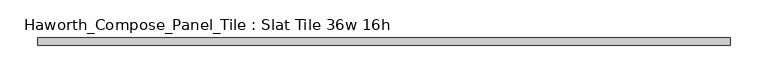
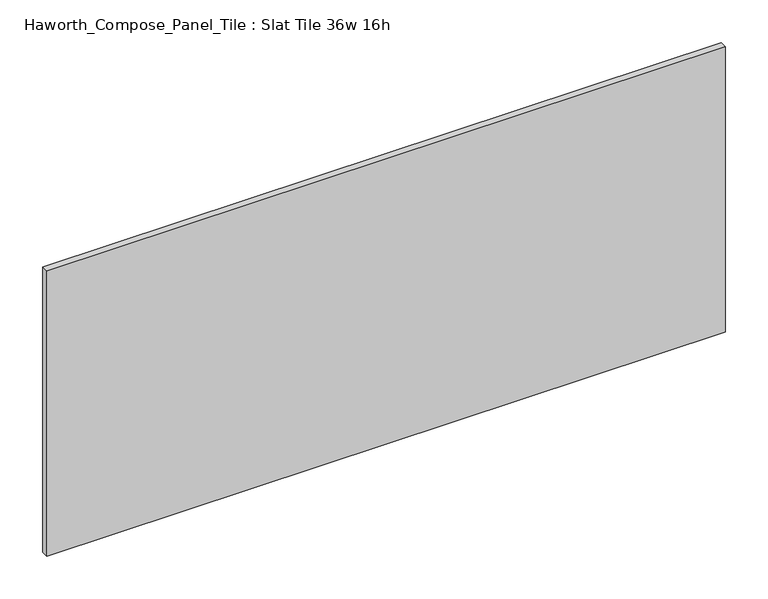
"""IFC4 building model written with IfcOpenShell, lengths in millimetres: furniture geometry, Haworth_Compose_Panel_Tile : Slat Tile 36w 16h."""

import ifcopenshell
import ifcopenshell.guid

model = None  # the IFC model being written
_history = None  # IfcOwnerHistory: only IFC2X3 demands one
_inside = {}  # id of a spatial element -> (the spatial element, [elements in it])
_under = {}  # id of a project, library or spatial element -> (it, [spatial elements below it])
_declared = {}  # id of a project -> (the project, [libraries it declares])
_typed = {}  # id of a type object -> (the type object, [elements of that type])
_made_of = {}  # id of a material, layer set ... -> (it, [elements and type objects made of it])


def new_model(schema):
    """Start an empty IFC model of exactly this schema.

    Asked for "IFC4X3", IfcOpenShell would pick the latest addendum, in which some entities
    have other attributes; the version numbers below select the first issue.
    IFC2X3 requires an IfcOwnerHistory on every rooted entity: one is made here for all.
    """
    global model, _history
    if schema == "IFC4X3":
        model = ifcopenshell.file(schema_version=(4, 3, 0, 0))
    else:
        model = ifcopenshell.file(schema=schema)
    _inside.clear()
    _under.clear()
    _declared.clear()
    _typed.clear()
    _made_of.clear()
    _history = None
    if model.schema == "IFC2X3":
        org = make("IfcOrganization", Name="unknown")
        user = make(
            "IfcPersonAndOrganization",
            ThePerson=make("IfcPerson", FamilyName="unknown"),
            TheOrganization=org,
        )
        app = make(
            "IfcApplication",
            ApplicationDeveloper=org,
            Version="unknown",
            ApplicationFullName="unknown",
            ApplicationIdentifier="unknown",
        )
        _history = make(
            "IfcOwnerHistory",
            OwningUser=user,
            OwningApplication=app,
            ChangeAction="ADDED",
            CreationDate=0,
        )
    return model


def make(cls, **values):
    """One entity of the class cls with the attributes given. An attribute that is None is left unset."""
    return model.create_entity(
        cls, **{name: value for name, value in values.items() if value is not None}
    )


def rooted(cls, **values):
    """An entity with a GlobalId (a new one), such as an element, a storey or a relation."""
    return make(cls, GlobalId=ifcopenshell.guid.new(), OwnerHistory=_history, **values)


def si_unit(unit_type, name, prefix=None):
    """IfcSIUnit, for example si_unit("LENGTHUNIT", "METRE", prefix="MILLI")."""
    return make("IfcSIUnit", UnitType=unit_type, Prefix=prefix, Name=name)


def assignment(units):
    """IfcUnitAssignment: the units of a project."""
    return None if units is None else make("IfcUnitAssignment", Units=units)


def point(xyz):
    """IfcCartesianPoint."""
    return None if xyz is None else make("IfcCartesianPoint", Coordinates=xyz)


def direction(xyz):
    """IfcDirection."""
    return None if xyz is None else make("IfcDirection", DirectionRatios=xyz)


def frame(location, z_axis=None, x_axis=None):
    """IfcAxis2Placement3D, a coordinate frame: its origin and axes. An axis left out is left unset."""
    return make(
        "IfcAxis2Placement3D",
        Location=point(location),
        Axis=direction(z_axis),
        RefDirection=direction(x_axis),
    )


def origin():
    """The frame at (0, 0, 0) with its axes left unset."""
    return frame((0.0, 0.0, 0.0))


def place(relative_to, where):
    """IfcLocalPlacement: puts the frame where relative to a parent placement (None: the world)."""
    return make(
        "IfcLocalPlacement", PlacementRelTo=relative_to, RelativePlacement=where
    )


def context(
    kind, dimensions, precision=None, world=None, true_north=None, identifier=None
):
    """IfcGeometricRepresentationContext, for example the 3D "Model" context."""
    return make(
        "IfcGeometricRepresentationContext",
        ContextIdentifier=identifier,
        ContextType=kind,
        CoordinateSpaceDimension=dimensions,
        Precision=precision,
        WorldCoordinateSystem=world,
        TrueNorth=true_north,
    )


def project(units=None, contexts=None):
    """IfcProject with its units and contexts."""
    return rooted(
        "IfcProject",
        Name="project",
        RepresentationContexts=contexts,
        UnitsInContext=assignment(units),
    )


def spatial(cls, under=None, at=None, **own):
    """A site, building, storey or space (cls), placed at a placement, below another one or the project."""
    s = rooted(cls, ObjectPlacement=at, **own)
    if under is not None:
        _under.setdefault(under.id(), (under, []))[1].append(s)
    return s


def polyline(points):
    """IfcPolyline through the points."""
    return make("IfcPolyline", Points=[point(p) for p in points])


def outline(outer, holes=None, kind="AREA"):
    """IfcArbitraryClosedProfileDef: a profile drawn as a closed curve; with holes, ...WithVoids."""
    if holes is None:
        return make("IfcArbitraryClosedProfileDef", ProfileType=kind, OuterCurve=outer)
    return make(
        "IfcArbitraryProfileDefWithVoids",
        ProfileType=kind,
        OuterCurve=outer,
        InnerCurves=holes,
    )


def extrude(swept, where, along, depth):
    """IfcExtrudedAreaSolid: the profile swept, set in the frame where, extruded along a direction by depth."""
    return make(
        "IfcExtrudedAreaSolid",
        SweptArea=swept,
        Position=where,
        ExtrudedDirection=direction(along),
        Depth=depth,
    )


def shape(context_of_items, identifier, shape_type, items):
    """IfcShapeRepresentation: the items that make up one representation, for example the "Body"."""
    return make(
        "IfcShapeRepresentation",
        ContextOfItems=context_of_items,
        RepresentationIdentifier=identifier,
        RepresentationType=shape_type,
        Items=items,
    )


def source(mapping_origin, context_of_items, identifier, shape_type, items):
    """IfcRepresentationMap: a shape defined once, which mapped items show again and again."""
    return make(
        "IfcRepresentationMap",
        MappingOrigin=mapping_origin,
        MappedRepresentation=shape(context_of_items, identifier, shape_type, items),
    )


def transform(
    local_origin,
    x_axis=None,
    y_axis=None,
    z_axis=None,
    scale=None,
    scale2=None,
    scale3=None,
    uniform=True,
):
    """IfcCartesianTransformationOperator3D, or its non-uniform kind. x_axis, y_axis, z_axis: its Axis1, 2, 3."""
    if uniform:
        return make(
            "IfcCartesianTransformationOperator3D",
            Axis1=direction(x_axis),
            Axis2=direction(y_axis),
            LocalOrigin=point(local_origin),
            Scale=scale,
            Axis3=direction(z_axis),
        )
    return make(
        "IfcCartesianTransformationOperator3DnonUniform",
        Axis1=direction(x_axis),
        Axis2=direction(y_axis),
        LocalOrigin=point(local_origin),
        Scale=scale,
        Axis3=direction(z_axis),
        Scale2=scale2,
        Scale3=scale3,
    )


def mapped(mapping_source, mapping_target):
    """IfcMappedItem: shows the shape of a source again, moved by a transform."""
    return make(
        "IfcMappedItem", MappingSource=mapping_source, MappingTarget=mapping_target
    )


def made_of(thing, what):
    """Note that an element or type object is made of a material, layer set ...; save() writes the relation."""
    if what is not None:
        _made_of.setdefault(what.id(), (what, []))[1].append(thing)
    return thing


def element(
    cls,
    number,
    at=None,
    inside=None,
    cuts=None,
    type_object=None,
    material=None,
    context=None,
    identifier="Body",
    shape_type=None,
    held_by="IfcProductDefinitionShape",
    body=None,
    shapes=None,
    **own,
):
    """One element of the class cls, such as IfcWall. Its Tag is "e" and its number.

    at: its placement. inside: the storey or other place that contains it. cuts: it is an
    opening in that element (IfcRelVoidsElement). A single representation is given by context,
    identifier, shape_type and body (its items); several are given by shapes. held_by: the class
    of the entity that holds the representations. save() writes the other relations.
    """
    e = rooted(cls, Tag="e%d" % number, ObjectPlacement=at, **own)
    if body is not None:
        shapes = [shape(context, identifier, shape_type, body)]
    if shapes is not None:
        e.Representation = make(held_by, Representations=shapes)
    if inside is not None:
        _inside.setdefault(inside.id(), (inside, []))[1].append(e)
    if cuts is not None:
        rooted(
            "IfcRelVoidsElement", RelatingBuildingElement=cuts, RelatedOpeningElement=e
        )
    if type_object is not None:
        _typed.setdefault(type_object.id(), (type_object, []))[1].append(e)
    return made_of(e, material)


def aggregate(whole, parts):
    """IfcRelAggregates: a whole, such as a stair, and the parts it consists of."""
    return rooted("IfcRelAggregates", RelatingObject=whole, RelatedObjects=parts)


def save(model, path):
    """Write the relations noted so far, then the file.

    IfcRelAggregates (storeys below a building ...), IfcRelContainedInSpatialStructure (elements
    in a storey), IfcRelDefinesByType, IfcRelAssociatesMaterial and IfcRelDeclares: one each for
    every whole, place, type object, material and project.
    """
    for whole, parts in _under.values():
        aggregate(whole, parts)
    for where, things in _inside.values():
        rooted(
            "IfcRelContainedInSpatialStructure",
            RelatedElements=things,
            RelatingStructure=where,
        )
    for kind, things in _typed.values():
        rooted("IfcRelDefinesByType", RelatedObjects=things, RelatingType=kind)
    for what, things in _made_of.values():
        rooted("IfcRelAssociatesMaterial", RelatedObjects=things, RelatingMaterial=what)
    for by, libraries in _declared.values():
        rooted("IfcRelDeclares", RelatingContext=by, RelatedDefinitions=libraries)
    model.write(path)


def haworth_compose_panel_tile_slat_tile_36w_16h_f2827693(model_context):
    return source(origin(), model_context, "Body", "SweptSolid", [
        extrude(outline(polyline([(459.6402902, -25.7218594), (-454.7597098, -25.7218594), (-454.7597098, -16.1968594), (459.6402902, -16.1968594), (459.6402902, -25.7218594)])), frame((0.0, 0.0, 1066.8), z_axis=(0.0, 0.0, 1.0), x_axis=(1.0, 0.0, 0.0)), (0.0, 0.0, 1.0), 406.4),
    ])


if __name__ == "__main__":
    model = new_model("IFC4")
    model_context = context("Model", 3, world=origin())
    ifc_project = project(units=[si_unit("LENGTHUNIT", "METRE", prefix="MILLI")], contexts=[model_context])
    site = spatial("IfcSite", under=ifc_project)
    building = spatial("IfcBuilding", under=site)
    placement = place(None, origin())
    haworth_compose_panel_tile_slat_tile_36w_16h_shape = haworth_compose_panel_tile_slat_tile_36w_16h_f2827693(model_context)
    element("IfcFurniture", 1, ObjectType="Haworth_Compose_Panel_Tile : Slat Tile 36w 16h", at=placement, inside=building, context=model_context, shape_type="MappedRepresentation", body=[
        mapped(haworth_compose_panel_tile_slat_tile_36w_16h_shape, transform((0.0, 0.0, 0.0), x_axis=(1.0, 0.0, 0.0), y_axis=(0.0, 1.0, 0.0), z_axis=(0.0, 0.0, 1.0))),
    ])
    save(model, "model.ifc")
